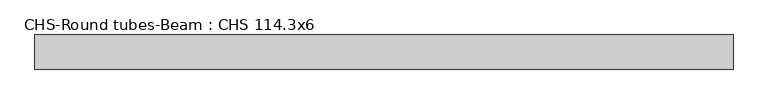
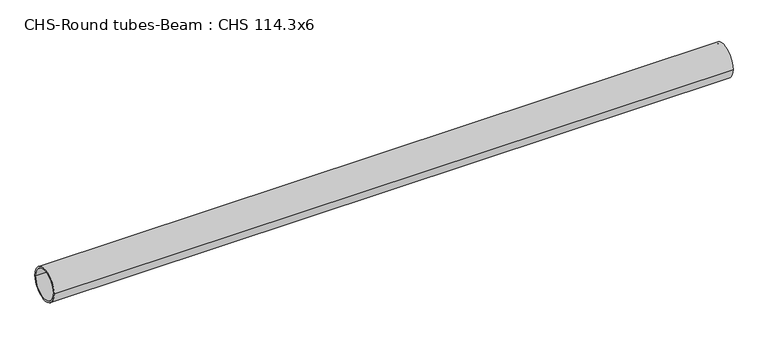
"""IFC4 building model written with IfcOpenShell, lengths in millimetres: beam geometry, CHS-Round tubes-Beam : CHS 114.3x6."""

from ifc_helpers import new_model, si_unit, point, frame, origin, origin_2d, place, context, project, spatial, circle_curve, trimmed, segment, composite_curve, outline, extrude, source, transform, mapped, element, save


def chs_round_tubes_beam_chs_114_3x6_c0e3c1ee(model_context):
    return source(origin(), model_context, "Body", "SweptSolid", [
        extrude(outline(composite_curve([segment(trimmed(circle_curve(origin_2d(), 57.15), [point((57.15, 0.0))], [point((-57.15, 0.0))], False, "CARTESIAN"), True, "CONTINUOUS"), segment(trimmed(circle_curve(origin_2d(), 57.15), [point((-57.15, 0.0))], [point((57.15, 0.0))], False, "CARTESIAN"), True, "CONTINUOUS")], self_intersect=False), holes=[composite_curve([segment(trimmed(circle_curve(origin_2d(), 51.15), [point((51.15, 0.0))], [point((-51.15, 0.0))], True, "CARTESIAN"), True, "CONTINUOUS"), segment(trimmed(circle_curve(origin_2d(), 51.15), [point((-51.15, 0.0))], [point((51.15, 0.0))], True, "CARTESIAN"), True, "CONTINUOUS")], self_intersect=False)]), frame((-1015.4372016, 0.0, 0.0), z_axis=(1.0, 0.0, 0.0), x_axis=(0.0, 1.0, 0.0)), (0.0, 0.0, 1.0), 2340.7403849),
    ])


if __name__ == "__main__":
    model = new_model("IFC4")
    model_context = context("Model", 3, world=origin())
    ifc_project = project(units=[si_unit("LENGTHUNIT", "METRE", prefix="MILLI")], contexts=[model_context])
    site = spatial("IfcSite", under=ifc_project)
    building = spatial("IfcBuilding", under=site)
    placement = place(None, origin())
    chs_round_tubes_beam_chs_114_3x6_shape = chs_round_tubes_beam_chs_114_3x6_c0e3c1ee(model_context)
    element("IfcBeam", 1, ObjectType="CHS-Round tubes-Beam : CHS 114.3x6", at=placement, inside=building, context=model_context, shape_type="MappedRepresentation", body=[
        mapped(chs_round_tubes_beam_chs_114_3x6_shape, transform((0.0, 0.0, 0.0), x_axis=(1.0, 0.0, 0.0), y_axis=(0.0, 1.0, 0.0), z_axis=(0.0, 0.0, 1.0))),
    ])
    save(model, "model.ifc")
